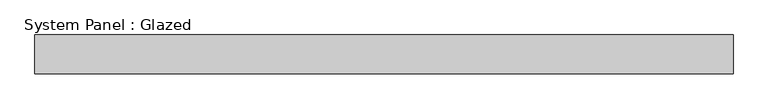
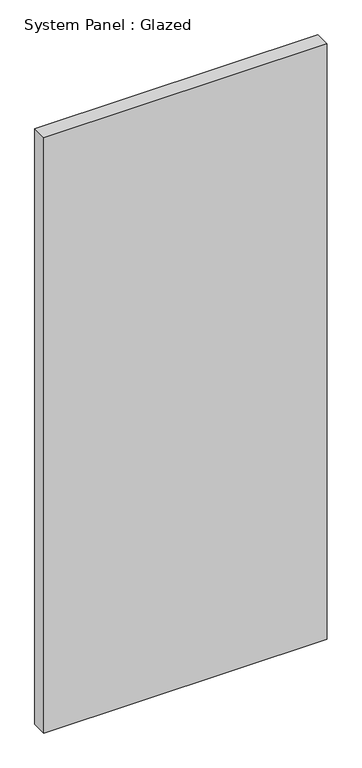
"""IFC4 building model written with IfcOpenShell, lengths in millimetres: plate geometry, System Panel : Glazed."""

from ifc_helpers import new_model, si_unit, origin, origin_with_axes, place, context, project, spatial, polyline, outline, extrude, source, transform, mapped, element, save


def system_panel_glazed_58bbf031(model_context):
    return source(origin(), model_context, "Body", "SweptSolid", [
        extrude(outline(polyline([(900.0, 50.0), (-900.0, 50.0), (-900.0, 150.0), (900.0, 150.0), (900.0, 50.0)])), origin_with_axes(), (0.0, 0.0, 1.0), 4000.0),
    ])


if __name__ == "__main__":
    model = new_model("IFC4")
    model_context = context("Model", 3, world=origin())
    ifc_project = project(units=[si_unit("LENGTHUNIT", "METRE", prefix="MILLI")], contexts=[model_context])
    site = spatial("IfcSite", under=ifc_project)
    building = spatial("IfcBuilding", under=site)
    placement = place(None, origin())
    system_panel_glazed_shape = system_panel_glazed_58bbf031(model_context)
    element("IfcPlate", 1, ObjectType="System Panel : Glazed", at=placement, inside=building, context=model_context, shape_type="MappedRepresentation", body=[
        mapped(system_panel_glazed_shape, transform((0.0, 0.0, 0.0), x_axis=(1.0, 0.0, 0.0), y_axis=(0.0, 1.0, 0.0), z_axis=(0.0, 0.0, 1.0))),
    ])
    save(model, "model.ifc")
